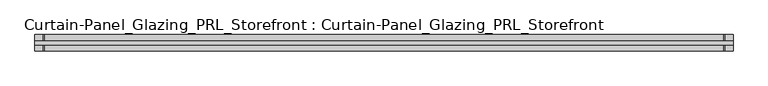
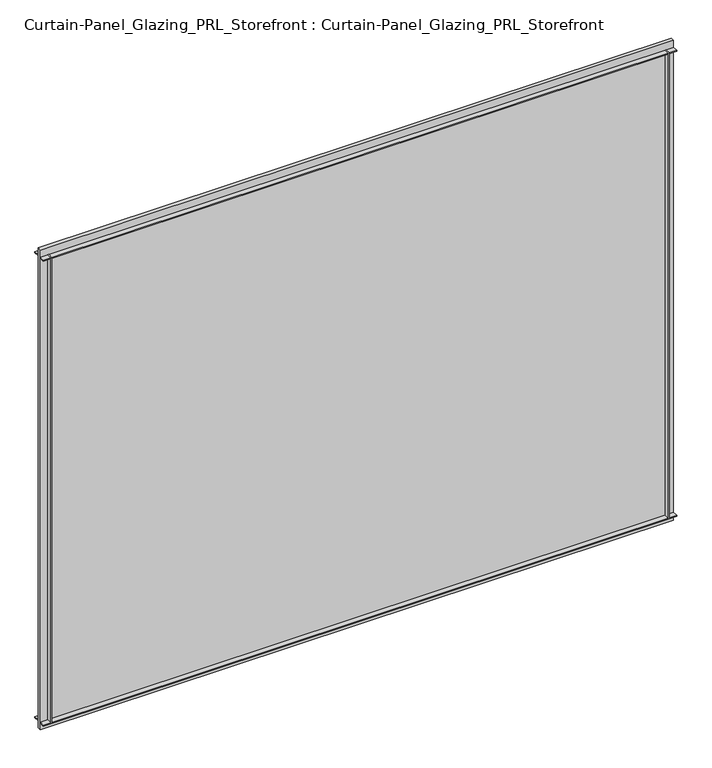
"""IFC4 building model written with IfcOpenShell, lengths in millimetres: plate geometry, Curtain-Panel_Glazing_PRL_Storefront : Curtain-Panel_Glazing_PRL_Storefront."""

from ifc_helpers import new_model, si_unit, frame, origin, origin_with_axes, place, context, project, spatial, polyline, outline, extrude, source, transform, mapped, element, save


def curtain_panel_glazing_prl_storefront_curtain_panel_glazing_ea54ced0(model_context):
    return source(origin(), model_context, "Body", "SweptSolid", [
        extrude(outline(polyline([(479.425, -12.7), (477.8375, -12.7), (477.8375, -3.175), (479.425, -3.175), (479.425, -12.7)])), frame((0.0, 0.0, 12.7), z_axis=(0.0, 0.0, 1.0), x_axis=(1.0, 0.0, 0.0)), (0.0, 0.0, 1.0), 841.375),
        extrude(outline(polyline([(479.425, 12.7), (479.425, 3.175), (477.8375, 3.175), (477.8375, 12.7), (479.425, 12.7)])), frame((0.0, 0.0, 12.7), z_axis=(0.0, 0.0, 1.0), x_axis=(1.0, 0.0, 0.0)), (0.0, 0.0, 1.0), 841.375),
        extrude(outline(polyline([(-577.85, -12.7), (-577.85, -3.175), (-576.2625, -3.175), (-576.2625, -12.7), (-577.85, -12.7)])), frame((0.0, 0.0, 12.7), z_axis=(0.0, 0.0, 1.0), x_axis=(1.0, 0.0, 0.0)), (0.0, 0.0, 1.0), 841.375),
        extrude(outline(polyline([(-577.85, 12.7), (-576.2625, 12.7), (-576.2625, 3.175), (-577.85, 3.175), (-577.85, 12.7)])), frame((0.0, 0.0, 12.7), z_axis=(0.0, 0.0, 1.0), x_axis=(1.0, 0.0, 0.0)), (0.0, 0.0, 1.0), 841.375),
        extrude(outline(polyline([(492.125, 3.175), (492.125, -3.175), (-590.55, -3.175), (-590.55, 3.175), (492.125, 3.175)])), origin_with_axes(), (0.0, 0.0, 1.0), 866.775),
        extrude(outline(polyline([(-590.55, -12.7), (-590.55, -3.175), (492.125, -3.175), (492.125, -12.7), (-590.55, -12.7)])), frame((0.0, 0.0, 852.4875), z_axis=(0.0, 0.0, 1.0), x_axis=(1.0, 0.0, 0.0)), (0.0, 0.0, 1.0), 1.5875),
        extrude(outline(polyline([(-590.55, 12.7), (492.125, 12.7), (492.125, 3.175), (-590.55, 3.175), (-590.55, 12.7)])), frame((0.0, 0.0, 852.4875), z_axis=(0.0, 0.0, 1.0), x_axis=(1.0, 0.0, 0.0)), (0.0, 0.0, 1.0), 1.5875),
        extrude(outline(polyline([(-590.55, -12.7), (-590.55, -3.175), (492.125, -3.175), (492.125, -12.7), (-590.55, -12.7)])), frame((0.0, 0.0, 12.7), z_axis=(0.0, 0.0, 1.0), x_axis=(1.0, 0.0, 0.0)), (0.0, 0.0, 1.0), 1.5875),
        extrude(outline(polyline([(-590.55, 12.7), (492.125, 12.7), (492.125, 3.175), (-590.55, 3.175), (-590.55, 12.7)])), frame((0.0, 0.0, 12.7), z_axis=(0.0, 0.0, 1.0), x_axis=(1.0, 0.0, 0.0)), (0.0, 0.0, 1.0), 1.5875),
    ])


if __name__ == "__main__":
    model = new_model("IFC4")
    model_context = context("Model", 3, world=origin())
    ifc_project = project(units=[si_unit("LENGTHUNIT", "METRE", prefix="MILLI")], contexts=[model_context])
    site = spatial("IfcSite", under=ifc_project)
    building = spatial("IfcBuilding", under=site)
    placement = place(None, origin())
    curtain_panel_glazing_prl_storefront_curtain_panel_glazing_shape = curtain_panel_glazing_prl_storefront_curtain_panel_glazing_ea54ced0(model_context)
    element("IfcPlate", 1, ObjectType="Curtain-Panel_Glazing_PRL_Storefront : Curtain-Panel_Glazing_PRL_Storefront", at=placement, inside=building, context=model_context, shape_type="MappedRepresentation", body=[
        mapped(curtain_panel_glazing_prl_storefront_curtain_panel_glazing_shape, transform((0.0, 0.0, 0.0), x_axis=(1.0, 0.0, 0.0), y_axis=(0.0, 1.0, 0.0), z_axis=(0.0, 0.0, 1.0))),
    ])
    save(model, "model.ifc")
